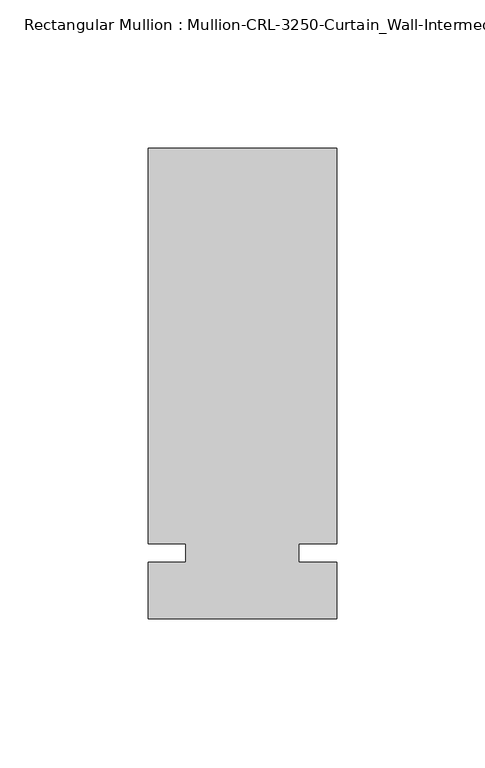
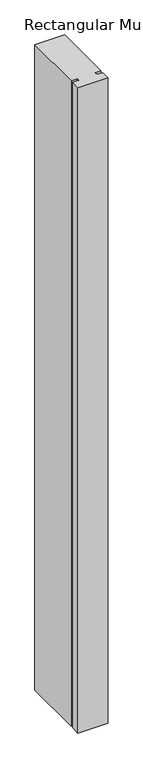
"""IFC4 building model written with IfcOpenShell, lengths in millimetres: member geometry."""

from ifc_helpers import new_model, si_unit, frame, origin, place, context, project, spatial, polyline, outline, extrude, source, transform, mapped, element, save


def member_ed53a913(model_context):
    return source(origin(), model_context, "Body", "SweptSolid", [
        extrude(outline(polyline([(31.7499985, -3.175), (31.7499985, -22.2254168), (-31.7499985, -22.2254168), (-31.7499985, -3.175), (-19.0499985, -3.175), (-19.0499985, 3.175), (-31.7499985, 3.175), (-31.7499985, 136.5246049), (31.7499985, 136.5246049), (31.7499985, 3.175), (19.0499985, 3.175), (19.0499985, -3.175), (31.7499985, -3.175)])), frame((0.0, 0.0, -1454.1500015), z_axis=(0.0, 0.0, 1.0), x_axis=(1.0, 0.0, 0.0)), (0.0, 0.0, 1.0), 1454.1500015),
    ])


if __name__ == "__main__":
    model = new_model("IFC4")
    model_context = context("Model", 3, world=origin())
    ifc_project = project(units=[si_unit("LENGTHUNIT", "METRE", prefix="MILLI")], contexts=[model_context])
    site = spatial("IfcSite", under=ifc_project)
    building = spatial("IfcBuilding", under=site)
    placement = place(None, origin())
    member_shape = member_ed53a913(model_context)
    element("IfcMember", 1, ObjectType="Rectangular Mullion : Mullion-CRL-3250-Curtain_Wall-Intermediate_Vertical-5\"", at=placement, inside=building, context=model_context, shape_type="MappedRepresentation", body=[
        mapped(member_shape, transform((0.0, 0.0, 0.0), x_axis=(1.0, 0.0, 0.0), y_axis=(0.0, 1.0, 0.0), z_axis=(0.0, 0.0, 1.0))),
    ])
    save(model, "model.ifc")
